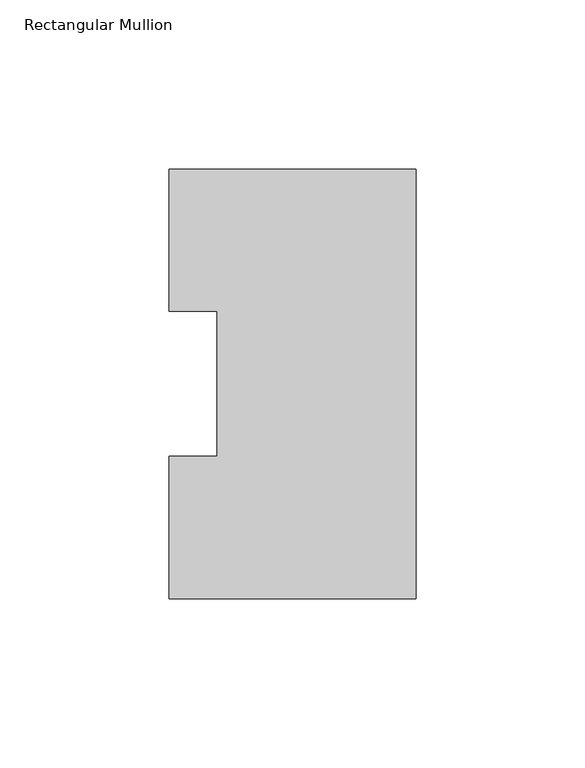
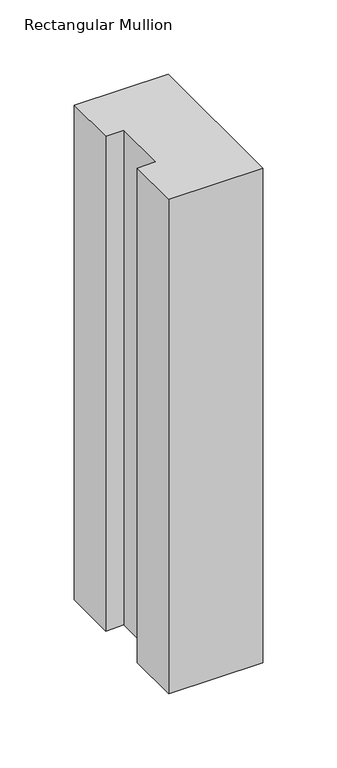
"""IFC4 building model written with IfcOpenShell, lengths in millimetres: member geometry, Rectangular Mullion."""

from ifc_helpers import new_model, si_unit, frame, origin, place, context, project, spatial, polyline, outline, extrude, source, transform, mapped, element, save


def rectangular_mullion_65d42047(model_context):
    return source(origin(), model_context, "Body", "SweptSolid", [
        extrude(outline(polyline([(0.0, 127.006348), (0.0, 0.0063465), (-73.025, 0.0063465), (-73.025, 42.0814491), (-58.7375, 42.0814491), (-58.7375, 84.93125), (-73.025, 84.93125), (-73.025, 127.006348), (0.0, 127.006348)])), frame((0.0, 0.0, -406.4), z_axis=(0.0, 0.0, 1.0), x_axis=(1.0, 0.0, 0.0)), (0.0, 0.0, 1.0), 406.4),
    ])


if __name__ == "__main__":
    model = new_model("IFC4")
    model_context = context("Model", 3, world=origin())
    ifc_project = project(units=[si_unit("LENGTHUNIT", "METRE", prefix="MILLI")], contexts=[model_context])
    site = spatial("IfcSite", under=ifc_project)
    building = spatial("IfcBuilding", under=site)
    placement = place(None, origin())
    rectangular_mullion_shape = rectangular_mullion_65d42047(model_context)
    element("IfcMember", 1, ObjectType="Rectangular Mullion", at=placement, inside=building, context=model_context, shape_type="MappedRepresentation", body=[
        mapped(rectangular_mullion_shape, transform((0.0, 0.0, 0.0), x_axis=(1.0, 0.0, 0.0), y_axis=(0.0, 1.0, 0.0), z_axis=(0.0, 0.0, 1.0))),
    ])
    save(model, "model.ifc")
